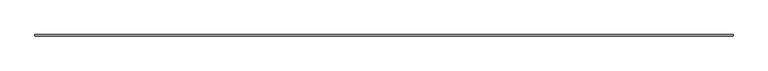
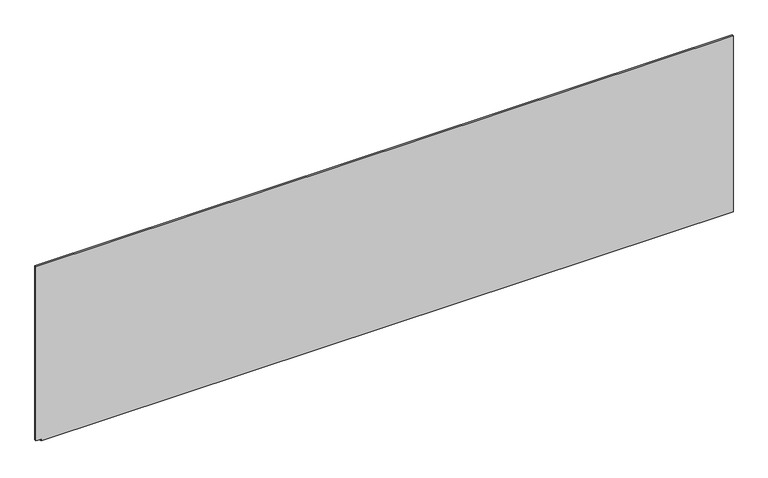
"""IFC4 building model written with IfcOpenShell, lengths in millimetres: plate geometry."""

from ifc_helpers import new_model, si_unit, frame, origin, place, context, project, spatial, polyline, outline, extrude, source, transform, mapped, element, save


def plate_7e81487f(model_context):
    return source(origin(), model_context, "Body", "SweptSolid", [
        extrude(outline(polyline([(0.0, -2246.6666667), (0.0, 2281.6666667), (12.9606059, 2281.6666667), (1217.400108, 2281.6666667), (1217.400108, -2281.6666667), (12.9607939, -2281.6666667), (12.9607939, -2246.6666667), (0.0, -2246.6666667)])), frame((0.0, -5.0, 0.0), z_axis=(0.0, 1.0, 0.0), x_axis=(0.0, 0.0, 1.0)), (0.0, 0.0, 1.0), 10.0),
    ])


if __name__ == "__main__":
    model = new_model("IFC4")
    model_context = context("Model", 3, world=origin())
    ifc_project = project(units=[si_unit("LENGTHUNIT", "METRE", prefix="MILLI")], contexts=[model_context])
    site = spatial("IfcSite", under=ifc_project)
    building = spatial("IfcBuilding", under=site)
    placement = place(None, origin())
    plate_shape = plate_7e81487f(model_context)
    element("IfcPlate", 1, at=placement, inside=building, context=model_context, shape_type="MappedRepresentation", body=[
        mapped(plate_shape, transform((0.0, 0.0, 0.0), x_axis=(1.0, 0.0, 0.0), y_axis=(0.0, 1.0, 0.0), z_axis=(0.0, 0.0, 1.0))),
    ])
    save(model, "model.ifc")
